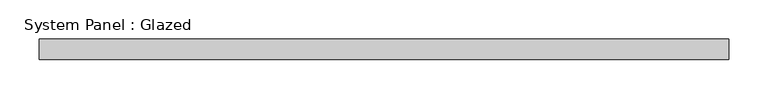
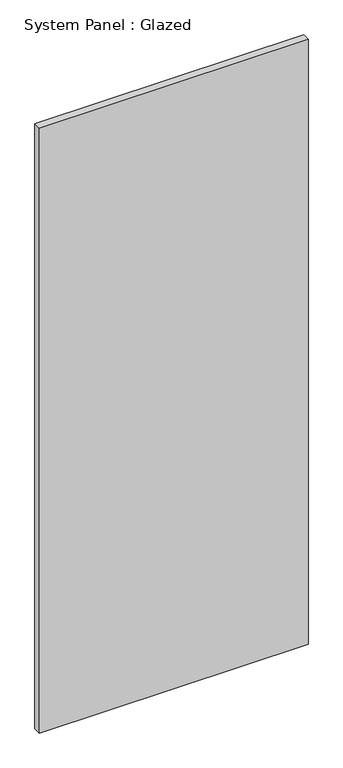
"""IFC4 building model written with IfcOpenShell, lengths in millimetres: plate geometry, System Panel : Glazed."""

from ifc_helpers import new_model, si_unit, origin, origin_with_axes, place, context, project, spatial, polyline, outline, extrude, source, transform, mapped, element, save


def system_panel_glazed_ce3e5be7(model_context):
    return source(origin(), model_context, "Body", "SweptSolid", [
        extrude(outline(polyline([(436.2914634, 19.05), (-436.2914634, 19.05), (-436.2914634, 44.45), (436.2914634, 44.45), (436.2914634, 19.05)])), origin_with_axes(), (0.0, 0.0, 1.0), 2076.45),
    ])


if __name__ == "__main__":
    model = new_model("IFC4")
    model_context = context("Model", 3, world=origin())
    ifc_project = project(units=[si_unit("LENGTHUNIT", "METRE", prefix="MILLI")], contexts=[model_context])
    site = spatial("IfcSite", under=ifc_project)
    building = spatial("IfcBuilding", under=site)
    placement = place(None, origin())
    system_panel_glazed_shape = system_panel_glazed_ce3e5be7(model_context)
    element("IfcPlate", 1, ObjectType="System Panel : Glazed", at=placement, inside=building, context=model_context, shape_type="MappedRepresentation", body=[
        mapped(system_panel_glazed_shape, transform((0.0, 0.0, 0.0), x_axis=(1.0, 0.0, 0.0), y_axis=(0.0, 1.0, 0.0), z_axis=(0.0, 0.0, 1.0))),
    ])
    save(model, "model.ifc")
